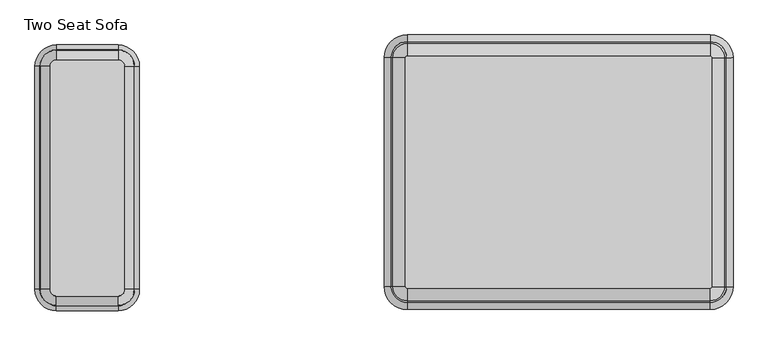
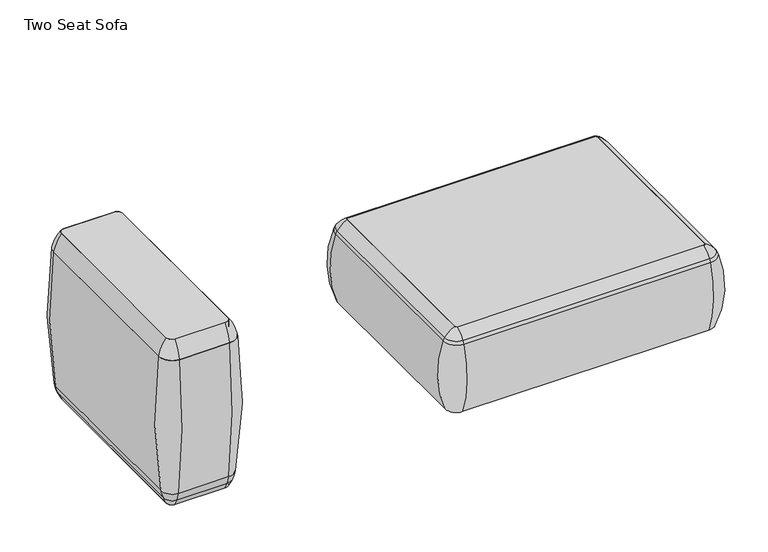
"""IFC4 building model written with IfcOpenShell, lengths in millimetres: furniture geometry, Two Seat Sofa."""

from ifc_helpers import new_model, si_unit, point, frame, frame_2d, origin, place, context, project, spatial, polyline, circle_curve, ellipse_curve, trimmed, segment, composite_curve, outline, extrude, source, transform, mapped, element, save
from ifc_brep_helpers import plane_surface, cylinder_surface, revolved_surface, advanced_brep


def two_seat_sofa_c8e1b5d7(model_context):
    return source(origin(), model_context, "Body", "SolidModel", [
        advanced_brep(
        [(-841.831867, -723.6878152, 172.8832103), (-805.8090558, -687.665004, 172.8832103), (-799.8057646, -687.665004, 622.5428731), (-841.831867, -729.6911064, 622.5428731), (-841.831867, -715.7737554, 145.7420675), (-813.7231156, -687.665004, 145.7420675), (-841.831867, -705.1100792, 123.9999984), (-824.3867918, -687.665004, 123.9999984), (-841.831867, -705.1100792, 676.7599216), (-824.3867918, -687.665004, 676.7599216), (-1000.554649, -729.6911064, 622.5428731), (-1000.554649, -723.6878152, 172.8832103), (-1000.554649, -715.7737554, 145.7420675), (-1000.554649, -705.1100792, 123.9999984), (-1000.554649, -705.1100792, 676.7599216), (-1036.5774602, -687.665004, 172.8832103), (-1042.5807514, -687.665004, 622.5428731), (-1028.6634004, -687.665004, 145.7420675), (-1017.9997243, -687.665004, 123.9999984), (-1017.9997243, -687.665004, 676.7599216), (-1042.5807514, -113.9650752, 622.5428731), (-1036.5774602, -113.9650752, 172.8832103), (-1028.6634004, -113.9650752, 145.7420675), (-1017.9997243, -113.9650752, 123.9999984), (-1017.9997243, -113.9650752, 676.7599216), (-1000.554649, -77.9422641, 172.8832103), (-1000.554649, -71.9389729, 622.5428731), (-1000.554649, -85.8563238, 145.7420675), (-1000.554649, -96.52, 123.9999984), (-1000.554649, -96.52, 676.7599216), (-841.831867, -71.9389729, 622.5428731), (-841.831867, -77.9422641, 172.8832103), (-841.831867, -85.8563238, 145.7420675), (-841.831867, -96.52, 123.9999984), (-841.831867, -96.52, 676.7599216), (-805.8090558, -113.9650752, 172.8832103), (-799.8057646, -113.9650752, 622.5428731), (-813.7231156, -113.9650752, 145.7420675), (-824.3867918, -113.9650752, 123.9999984), (-824.3867918, -113.9650752, 676.7599216), (-841.831867, -729.4564007, 624.0097122), (-800.0404704, -687.665004, 624.0097122), (-1000.554649, -729.4564007, 624.0097122), (-1042.3460457, -687.665004, 624.0097122), (-1042.3460457, -113.9650752, 624.0097122), (-1000.554649, -72.1736786, 624.0097122), (-841.831867, -72.1736786, 624.0097122), (-800.0404704, -113.9650752, 624.0097122)],
        [
            (0, 1, circle_curve(frame((-841.831867, -687.665004, 172.8832103), z_axis=(0.0, 0.0, 1.0), x_axis=(1.0, 0.0, 0.0)), 36.0228111)),
            (1, 2, circle_curve(frame((-2366.9005751, -687.665004, 418.5948497), z_axis=(0.0, -1.0, 0.0), x_axis=(1.0, 0.0, 0.0)), 1580.3103939)),
            (2, 3, circle_curve(frame((-841.831867, -687.665004, 622.5428731), z_axis=(0.0, 0.0, -1.0), x_axis=(1.0, 0.0, 0.0)), 42.0261023)),
            (3, 0, circle_curve(frame((-841.831867, 837.4037041, 418.5948497), z_axis=(1.0, 0.0, 0.0), x_axis=(0.0, -1.0, 0.0)), 1580.3103939)),
            (4, 5, circle_curve(frame((-841.831867, -687.665004, 145.7420675), z_axis=(0.0, 0.0, 1.0), x_axis=(1.0, 0.0, 0.0)), 28.1087514)),
            (5, 1, circle_curve(frame((-915.5356418, -687.665004, 190.1538821), z_axis=(0.0, -1.0, 0.0), x_axis=(1.0, 0.0, 0.0)), 111.0774494)),
            (0, 4, circle_curve(frame((-841.831867, -613.9612292, 190.1538821), z_axis=(1.0, 0.0, 0.0), x_axis=(0.0, -1.0, 0.0)), 111.0774494)),
            (6, 7, circle_curve(frame((-841.831867, -687.665004, 123.9999984), z_axis=(0.0, 0.0, 1.0), x_axis=(1.0, 0.0, 0.0)), 17.4450752)),
            (7, 5, circle_curve(frame((-1062.3097905, -687.665004, 254.1784823), z_axis=(0.0, -1.0, 0.0), x_axis=(1.0, 0.0, 0.0)), 271.2080216)),
            (4, 6, circle_curve(frame((-841.831867, -467.1870805, 254.1784823), z_axis=(1.0, 0.0, 0.0), x_axis=(0.0, -1.0, 0.0)), 271.2080216)),
            (8, 9, circle_curve(frame((-841.831867, -687.665004, 676.7599216), z_axis=(0.0, 0.0, 1.0), x_axis=(1.0, 0.0, 0.0)), 17.4450752)),
            (9, 7),
            (6, 8),
            (3, 10),
            (10, 11, circle_curve(frame((-1000.554649, 837.4037041, 418.5948497), z_axis=(1.0, 0.0, 0.0), x_axis=(0.0, -1.0, 0.0)), 1580.3103939)),
            (11, 0),
            (11, 12, circle_curve(frame((-1000.554649, -613.9612292, 190.1538821), z_axis=(1.0, 0.0, 0.0), x_axis=(0.0, -1.0, 0.0)), 111.0774494)),
            (12, 4),
            (12, 13, circle_curve(frame((-1000.554649, -467.1870805, 254.1784823), z_axis=(1.0, 0.0, 0.0), x_axis=(0.0, -1.0, 0.0)), 271.2080216)),
            (13, 6),
            (13, 14),
            (14, 8),
            (15, 11, circle_curve(frame((-1000.554649, -687.665004, 172.8832103), z_axis=(0.0, 0.0, 1.0), x_axis=(0.0, -1.0, 0.0)), 36.0228111)),
            (10, 16, circle_curve(frame((-1000.554649, -687.665004, 622.5428731), z_axis=(0.0, 0.0, -1.0), x_axis=(0.0, -1.0, 0.0)), 42.0261023)),
            (16, 15, circle_curve(frame((524.5140591, -687.665004, 418.5948497), z_axis=(0.0, -1.0, 0.0), x_axis=(-1.0, 0.0, 0.0)), 1580.3103939)),
            (17, 12, circle_curve(frame((-1000.554649, -687.665004, 145.7420675), z_axis=(0.0, 0.0, 1.0), x_axis=(0.0, -1.0, 0.0)), 28.1087514)),
            (15, 17, circle_curve(frame((-926.8508742, -687.665004, 190.1538821), z_axis=(0.0, -1.0, 0.0), x_axis=(-1.0, 0.0, 0.0)), 111.0774494)),
            (18, 13, circle_curve(frame((-1000.554649, -687.665004, 123.9999984), z_axis=(0.0, 0.0, 1.0), x_axis=(0.0, -1.0, 0.0)), 17.4450752)),
            (17, 18, circle_curve(frame((-780.0767255, -687.665004, 254.1784823), z_axis=(0.0, -1.0, 0.0), x_axis=(-1.0, 0.0, 0.0)), 271.2080216)),
            (19, 14, circle_curve(frame((-1000.554649, -687.665004, 676.7599216), z_axis=(0.0, 0.0, 1.0), x_axis=(0.0, -1.0, 0.0)), 17.4450752)),
            (18, 19),
            (16, 20),
            (20, 21, circle_curve(frame((524.5140591, -113.9650752, 418.5948497), z_axis=(0.0, -1.0, 0.0), x_axis=(-1.0, 0.0, 0.0)), 1580.3103939)),
            (21, 15),
            (21, 22, circle_curve(frame((-926.8508742, -113.9650752, 190.1538821), z_axis=(0.0, -1.0, 0.0), x_axis=(-1.0, 0.0, 0.0)), 111.0774494)),
            (22, 17),
            (22, 23, circle_curve(frame((-780.0767255, -113.9650752, 254.1784823), z_axis=(0.0, -1.0, 0.0), x_axis=(-1.0, 0.0, 0.0)), 271.2080216)),
            (23, 18),
            (23, 24),
            (24, 19),
            (25, 21, circle_curve(frame((-1000.554649, -113.9650752, 172.8832103), z_axis=(0.0, 0.0, 1.0), x_axis=(-1.0, 0.0, 0.0)), 36.0228111)),
            (20, 26, circle_curve(frame((-1000.554649, -113.9650752, 622.5428731), z_axis=(0.0, 0.0, -1.0), x_axis=(-1.0, 0.0, 0.0)), 42.0261023)),
            (26, 25, circle_curve(frame((-1000.554649, -1639.0337833, 418.5948497), z_axis=(-1.0, 0.0, 0.0), x_axis=(0.0, 1.0, 0.0)), 1580.3103939)),
            (27, 22, circle_curve(frame((-1000.554649, -113.9650752, 145.7420675), z_axis=(0.0, 0.0, 1.0), x_axis=(-1.0, 0.0, 0.0)), 28.1087514)),
            (25, 27, circle_curve(frame((-1000.554649, -187.66885, 190.1538821), z_axis=(-1.0, 0.0, 0.0), x_axis=(0.0, 1.0, 0.0)), 111.0774494)),
            (28, 23, circle_curve(frame((-1000.554649, -113.9650752, 123.9999984), z_axis=(0.0, 0.0, 1.0), x_axis=(-1.0, 0.0, 0.0)), 17.4450752)),
            (27, 28, circle_curve(frame((-1000.554649, -334.4429987, 254.1784823), z_axis=(-1.0, 0.0, 0.0), x_axis=(0.0, 1.0, 0.0)), 271.2080216)),
            (29, 24, circle_curve(frame((-1000.554649, -113.9650752, 676.7599216), z_axis=(0.0, 0.0, 1.0), x_axis=(-1.0, 0.0, 0.0)), 17.4450752)),
            (28, 29),
            (26, 30),
            (30, 31, circle_curve(frame((-841.831867, -1639.0337833, 418.5948497), z_axis=(-1.0, 0.0, 0.0), x_axis=(0.0, 1.0, 0.0)), 1580.3103939)),
            (31, 25),
            (31, 32, circle_curve(frame((-841.831867, -187.66885, 190.1538821), z_axis=(-1.0, 0.0, 0.0), x_axis=(0.0, 1.0, 0.0)), 111.0774494)),
            (32, 27),
            (32, 33, circle_curve(frame((-841.831867, -334.4429987, 254.1784823), z_axis=(-1.0, 0.0, 0.0), x_axis=(0.0, 1.0, 0.0)), 271.2080216)),
            (33, 28),
            (33, 34),
            (34, 29),
            (35, 31, circle_curve(frame((-841.831867, -113.9650752, 172.8832103), z_axis=(0.0, 0.0, 1.0), x_axis=(0.0, 1.0, 0.0)), 36.0228111)),
            (30, 36, circle_curve(frame((-841.831867, -113.9650752, 622.5428731), z_axis=(0.0, 0.0, -1.0), x_axis=(0.0, 1.0, 0.0)), 42.0261023)),
            (36, 35, circle_curve(frame((-2366.9005751, -113.9650752, 418.5948497), z_axis=(0.0, 1.0, 0.0), x_axis=(1.0, 0.0, 0.0)), 1580.3103939)),
            (37, 32, circle_curve(frame((-841.831867, -113.9650752, 145.7420675), z_axis=(0.0, 0.0, 1.0), x_axis=(0.0, 1.0, 0.0)), 28.1087514)),
            (35, 37, circle_curve(frame((-915.5356418, -113.9650752, 190.1538821), z_axis=(0.0, 1.0, 0.0), x_axis=(1.0, 0.0, 0.0)), 111.0774494)),
            (38, 33, circle_curve(frame((-841.831867, -113.9650752, 123.9999984), z_axis=(0.0, 0.0, 1.0), x_axis=(0.0, 1.0, 0.0)), 17.4450752)),
            (37, 38, circle_curve(frame((-1062.3097905, -113.9650752, 254.1784823), z_axis=(0.0, 1.0, 0.0), x_axis=(1.0, 0.0, 0.0)), 271.2080216)),
            (39, 34, circle_curve(frame((-841.831867, -113.9650752, 676.7599216), z_axis=(0.0, 0.0, 1.0), x_axis=(0.0, 1.0, 0.0)), 17.4450752)),
            (38, 39),
            (36, 2),
            (1, 35),
            (5, 37),
            (7, 38),
            (9, 39),
            (40, 41, circle_curve(frame((-841.831867, -687.665004, 624.0097122), z_axis=(0.0, 0.0, 1.0), x_axis=(1.0, 0.0, 0.0)), 41.7913966)),
            (41, 9, circle_curve(frame((-917.9291956, -687.665004, 601.5928757), z_axis=(0.0, -1.0, 0.0), x_axis=(1.0, 0.0, 0.0)), 120.0011087)),
            (8, 40, circle_curve(frame((-841.831867, -611.5676755, 601.5928757), z_axis=(1.0, 0.0, 0.0), x_axis=(0.0, -1.0, 0.0)), 120.0011087)),
            (2, 41, circle_curve(frame((-824.9933533, -687.665004, 619.264859), z_axis=(0.0, -1.0, 0.0), x_axis=(1.0, 0.0, 0.0)), 25.4)),
            (40, 3, circle_curve(frame((-841.831867, -704.5035177, 619.264859), z_axis=(1.0, 0.0, 0.0), x_axis=(0.0, -1.0, 0.0)), 25.4)),
            (14, 42, circle_curve(frame((-1000.554649, -611.5676755, 601.5928757), z_axis=(1.0, 0.0, 0.0), x_axis=(0.0, -1.0, 0.0)), 120.0011087)),
            (42, 40),
            (42, 10, circle_curve(frame((-1000.554649, -704.5035177, 619.264859), z_axis=(1.0, 0.0, 0.0), x_axis=(0.0, -1.0, 0.0)), 25.4)),
            (43, 42, circle_curve(frame((-1000.554649, -687.665004, 624.0097122), z_axis=(0.0, 0.0, 1.0), x_axis=(0.0, -1.0, 0.0)), 41.7913966)),
            (19, 43, circle_curve(frame((-924.4573205, -687.665004, 601.5928757), z_axis=(0.0, -1.0, 0.0), x_axis=(-1.0, 0.0, 0.0)), 120.0011087)),
            (43, 16, circle_curve(frame((-1017.3931627, -687.665004, 619.264859), z_axis=(0.0, -1.0, 0.0), x_axis=(-1.0, 0.0, 0.0)), 25.4)),
            (24, 44, circle_curve(frame((-924.4573205, -113.9650752, 601.5928757), z_axis=(0.0, -1.0, 0.0), x_axis=(-1.0, 0.0, 0.0)), 120.0011087)),
            (44, 43),
            (44, 20, circle_curve(frame((-1017.3931627, -113.9650752, 619.264859), z_axis=(0.0, -1.0, 0.0), x_axis=(-1.0, 0.0, 0.0)), 25.4)),
            (45, 44, circle_curve(frame((-1000.554649, -113.9650752, 624.0097122), z_axis=(0.0, 0.0, 1.0), x_axis=(-1.0, 0.0, 0.0)), 41.7913966)),
            (29, 45, circle_curve(frame((-1000.554649, -190.0624038, 601.5928757), z_axis=(-1.0, 0.0, 0.0), x_axis=(0.0, 1.0, 0.0)), 120.0011087)),
            (45, 26, circle_curve(frame((-1000.554649, -97.1265615, 619.264859), z_axis=(-1.0, 0.0, 0.0), x_axis=(0.0, 1.0, 0.0)), 25.4)),
            (34, 46, circle_curve(frame((-841.831867, -190.0624038, 601.5928757), z_axis=(-1.0, 0.0, 0.0), x_axis=(0.0, 1.0, 0.0)), 120.0011087)),
            (46, 45),
            (46, 30, circle_curve(frame((-841.831867, -97.1265615, 619.264859), z_axis=(-1.0, 0.0, 0.0), x_axis=(0.0, 1.0, 0.0)), 25.4)),
            (47, 46, circle_curve(frame((-841.831867, -113.9650752, 624.0097122), z_axis=(0.0, 0.0, 1.0), x_axis=(0.0, 1.0, 0.0)), 41.7913966)),
            (39, 47, circle_curve(frame((-917.9291956, -113.9650752, 601.5928757), z_axis=(0.0, 1.0, 0.0), x_axis=(1.0, 0.0, 0.0)), 120.0011087)),
            (47, 36, circle_curve(frame((-824.9933533, -113.9650752, 619.264859), z_axis=(0.0, 1.0, 0.0), x_axis=(1.0, 0.0, 0.0)), 25.4)),
            (41, 47),
        ],
        [
            revolved_surface(trimmed(ellipse_curve(frame((-2366.9005751, -687.665004, 418.5948497), z_axis=(0.0, 1.0, 0.0), x_axis=(1.0, 0.0, 0.0)), 1580.3103939, 1580.3103939), [point((-799.8057646, -687.665004, 622.5428731))], [point((-805.8090558, -687.665004, 172.8832103))], True, "CARTESIAN"), (-841.831867, -687.665004, -1.2587073), (0.0, 0.0, -1.0)),
            revolved_surface(trimmed(ellipse_curve(frame((-915.5356418, -687.665004, 190.1538821), z_axis=(0.0, 1.0, 0.0), x_axis=(1.0, 0.0, 0.0)), 111.0774494, 111.0774494), [point((-805.8090558, -687.665004, 172.8832103))], [point((-813.7231156, -687.665004, 145.7420675))], True, "CARTESIAN"), (-841.831867, -687.665004, -1.2587073), (0.0, 0.0, -1.0)),
            revolved_surface(trimmed(ellipse_curve(frame((-1062.3097905, -687.665004, 254.1784823), z_axis=(0.0, 1.0, 0.0), x_axis=(1.0, 0.0, 0.0)), 271.2080216, 271.2080216), [point((-813.7231156, -687.665004, 145.7420675))], [point((-824.3867918, -687.665004, 123.9999984))], True, "CARTESIAN"), (-841.831867, -687.665004, -1.2587073), (0.0, 0.0, -1.0)),
            revolved_surface(polyline([(-824.3867918, -687.665004, 123.9999984), (-824.3867918, -687.665004, 676.7599216)]), (-841.831867, -687.665004, -1.2587073), (0.0, 0.0, -1.0)),
            cylinder_surface(frame((-841.831867, 837.4037041, 418.5948497), z_axis=(1.0, 0.0, 0.0), x_axis=(0.0, -1.0, 0.0)), 1580.3103939),
            cylinder_surface(frame((-841.831867, -613.9612292, 190.1538821), z_axis=(1.0, 0.0, 0.0), x_axis=(0.0, -1.0, 0.0)), 111.0774494),
            cylinder_surface(frame((-841.831867, -467.1870805, 254.1784823), z_axis=(1.0, 0.0, 0.0), x_axis=(0.0, -1.0, 0.0)), 271.2080216),
            plane_surface(frame((-841.831867, -705.1100792, 123.9999984), z_axis=(0.0, 1.0, 0.0), x_axis=(-1.0, 0.0, 0.0))),
            revolved_surface(trimmed(ellipse_curve(frame((-1000.554649, 837.4037041, 418.5948497), z_axis=(1.0, 0.0, 0.0), x_axis=(0.0, -1.0, 0.0)), 1580.3103939, 1580.3103939), [point((-1000.554649, -729.6911064, 622.5428731))], [point((-1000.554649, -723.6878152, 172.8832103))], True, "CARTESIAN"), (-1000.554649, -687.665004, -1.2587073), (0.0, 0.0, -1.0)),
            revolved_surface(trimmed(ellipse_curve(frame((-1000.554649, -613.9612292, 190.1538821), z_axis=(1.0, 0.0, 0.0), x_axis=(0.0, -1.0, 0.0)), 111.0774494, 111.0774494), [point((-1000.554649, -723.6878152, 172.8832103))], [point((-1000.554649, -715.7737554, 145.7420675))], True, "CARTESIAN"), (-1000.554649, -687.665004, -1.2587073), (0.0, 0.0, -1.0)),
            revolved_surface(trimmed(ellipse_curve(frame((-1000.554649, -467.1870805, 254.1784823), z_axis=(1.0, 0.0, 0.0), x_axis=(0.0, -1.0, 0.0)), 271.2080216, 271.2080216), [point((-1000.554649, -715.7737554, 145.7420675))], [point((-1000.554649, -705.1100792, 123.9999984))], True, "CARTESIAN"), (-1000.554649, -687.665004, -1.2587073), (0.0, 0.0, -1.0)),
            revolved_surface(polyline([(-1000.554649, -705.1100792, 123.9999984), (-1000.554649, -705.1100792, 676.7599216)]), (-1000.554649, -687.665004, -1.2587073), (0.0, 0.0, -1.0)),
            cylinder_surface(frame((524.5140591, -687.665004, 418.5948497), z_axis=(0.0, -1.0, 0.0), x_axis=(-1.0, 0.0, 0.0)), 1580.3103939),
            cylinder_surface(frame((-926.8508742, -687.665004, 190.1538821), z_axis=(0.0, -1.0, 0.0), x_axis=(-1.0, 0.0, 0.0)), 111.0774494),
            cylinder_surface(frame((-780.0767255, -687.665004, 254.1784823), z_axis=(0.0, -1.0, 0.0), x_axis=(-1.0, 0.0, 0.0)), 271.2080216),
            plane_surface(frame((-1017.9997243, -687.665004, 123.9999984), z_axis=(1.0, 0.0, 0.0), x_axis=(0.0, 1.0, 0.0))),
            revolved_surface(trimmed(ellipse_curve(frame((524.5140591, -113.9650752, 418.5948497), z_axis=(0.0, -1.0, 0.0), x_axis=(-1.0, 0.0, 0.0)), 1580.3103939, 1580.3103939), [point((-1042.5807514, -113.9650752, 622.5428731))], [point((-1036.5774602, -113.9650752, 172.8832103))], True, "CARTESIAN"), (-1000.554649, -113.9650752, -1.2587073), (0.0, 0.0, -1.0)),
            revolved_surface(trimmed(ellipse_curve(frame((-926.8508742, -113.9650752, 190.1538821), z_axis=(0.0, -1.0, 0.0), x_axis=(-1.0, 0.0, 0.0)), 111.0774494, 111.0774494), [point((-1036.5774602, -113.9650752, 172.8832103))], [point((-1028.6634004, -113.9650752, 145.7420675))], True, "CARTESIAN"), (-1000.554649, -113.9650752, -1.2587073), (0.0, 0.0, -1.0)),
            revolved_surface(trimmed(ellipse_curve(frame((-780.0767255, -113.9650752, 254.1784823), z_axis=(0.0, -1.0, 0.0), x_axis=(-1.0, 0.0, 0.0)), 271.2080216, 271.2080216), [point((-1028.6634004, -113.9650752, 145.7420675))], [point((-1017.9997243, -113.9650752, 123.9999984))], True, "CARTESIAN"), (-1000.554649, -113.9650752, -1.2587073), (0.0, 0.0, -1.0)),
            revolved_surface(polyline([(-1017.9997242000001, -113.9650752, 123.9999984), (-1017.9997242000001, -113.9650752, 676.7599216)]), (-1000.554649, -113.9650752, -1.2587073), (0.0, 0.0, -1.0)),
            cylinder_surface(frame((-1000.554649, -1639.0337833, 418.5948497), z_axis=(-1.0, 0.0, 0.0), x_axis=(0.0, 1.0, 0.0)), 1580.3103939),
            cylinder_surface(frame((-1000.554649, -187.66885, 190.1538821), z_axis=(-1.0, 0.0, 0.0), x_axis=(0.0, 1.0, 0.0)), 111.0774494),
            cylinder_surface(frame((-1000.554649, -334.4429987, 254.1784823), z_axis=(-1.0, 0.0, 0.0), x_axis=(0.0, 1.0, 0.0)), 271.2080216),
            plane_surface(frame((-1000.554649, -96.52, 123.9999984), z_axis=(0.0, -1.0, 0.0), x_axis=(1.0, 0.0, 0.0))),
            revolved_surface(trimmed(ellipse_curve(frame((-841.831867, -1639.0337833, 418.5948497), z_axis=(-1.0, 0.0, 0.0), x_axis=(0.0, 1.0, 0.0)), 1580.3103939, 1580.3103939), [point((-841.831867, -71.9389729, 622.5428731))], [point((-841.831867, -77.9422641, 172.8832103))], True, "CARTESIAN"), (-841.831867, -113.9650752, -1.2587073), (0.0, 0.0, -1.0)),
            revolved_surface(trimmed(ellipse_curve(frame((-841.831867, -187.66885, 190.1538821), z_axis=(-1.0, 0.0, 0.0), x_axis=(0.0, 1.0, 0.0)), 111.0774494, 111.0774494), [point((-841.831867, -77.9422641, 172.8832103))], [point((-841.831867, -85.8563238, 145.7420675))], True, "CARTESIAN"), (-841.831867, -113.9650752, -1.2587073), (0.0, 0.0, -1.0)),
            revolved_surface(trimmed(ellipse_curve(frame((-841.831867, -334.4429987, 254.1784823), z_axis=(-1.0, 0.0, 0.0), x_axis=(0.0, 1.0, 0.0)), 271.2080216, 271.2080216), [point((-841.831867, -85.8563238, 145.7420675))], [point((-841.831867, -96.52, 123.9999984))], True, "CARTESIAN"), (-841.831867, -113.9650752, -1.2587073), (0.0, 0.0, -1.0)),
            revolved_surface(polyline([(-841.831867, -96.52, 123.9999984), (-841.831867, -96.52, 676.7599216)]), (-841.831867, -113.9650752, -1.2587073), (0.0, 0.0, -1.0)),
            cylinder_surface(frame((-2366.9005751, -113.9650752, 418.5948497), z_axis=(0.0, 1.0, 0.0), x_axis=(1.0, 0.0, 0.0)), 1580.3103939),
            cylinder_surface(frame((-915.5356418, -113.9650752, 190.1538821), z_axis=(0.0, 1.0, 0.0), x_axis=(1.0, 0.0, 0.0)), 111.0774494),
            cylinder_surface(frame((-1062.3097905, -113.9650752, 254.1784823), z_axis=(0.0, 1.0, 0.0), x_axis=(1.0, 0.0, 0.0)), 271.2080216),
            plane_surface(frame((-824.3867918, -113.9650752, 123.9999984), z_axis=(-1.0, 0.0, 0.0), x_axis=(0.0, -1.0, 0.0))),
            revolved_surface(trimmed(ellipse_curve(frame((-917.9291956, -687.665004, 601.5928757), z_axis=(0.0, 1.0, 0.0), x_axis=(1.0, 0.0, 0.0)), 120.0011087, 120.0011087), [point((-824.3867918, -687.665004, 676.7599216))], [point((-800.0404704, -687.665004, 624.0097122))], True, "CARTESIAN"), (-841.831867, -687.665004, -1.2587073), (0.0, 0.0, -1.0)),
            revolved_surface(trimmed(ellipse_curve(frame((-824.9933533, -687.665004, 619.264859), z_axis=(0.0, 1.0, 0.0), x_axis=(1.0, 0.0, 0.0)), 25.4, 25.4), [point((-800.0404704, -687.665004, 624.0097122))], [point((-799.8057646, -687.665004, 622.5428731))], True, "CARTESIAN"), (-841.831867, -687.665004, -1.2587073), (0.0, 0.0, -1.0)),
            cylinder_surface(frame((-841.831867, -611.5676755, 601.5928757), z_axis=(1.0, 0.0, 0.0), x_axis=(0.0, -1.0, 0.0)), 120.0011087),
            cylinder_surface(frame((-841.831867, -704.5035177, 619.264859), z_axis=(1.0, 0.0, 0.0), x_axis=(0.0, -1.0, 0.0)), 25.4),
            revolved_surface(trimmed(ellipse_curve(frame((-1000.554649, -611.5676755, 601.5928757), z_axis=(1.0, 0.0, 0.0), x_axis=(0.0, -1.0, 0.0)), 120.0011087, 120.0011087), [point((-1000.554649, -705.1100792, 676.7599216))], [point((-1000.554649, -729.4564007, 624.0097122))], True, "CARTESIAN"), (-1000.554649, -687.665004, -1.2587073), (0.0, 0.0, -1.0)),
            revolved_surface(trimmed(ellipse_curve(frame((-1000.554649, -704.5035177, 619.264859), z_axis=(1.0, 0.0, 0.0), x_axis=(0.0, -1.0, 0.0)), 25.4, 25.4), [point((-1000.554649, -729.4564007, 624.0097122))], [point((-1000.554649, -729.6911064, 622.5428731))], True, "CARTESIAN"), (-1000.554649, -687.665004, -1.2587073), (0.0, 0.0, -1.0)),
            cylinder_surface(frame((-924.4573205, -687.665004, 601.5928757), z_axis=(0.0, -1.0, 0.0), x_axis=(-1.0, 0.0, 0.0)), 120.0011087),
            cylinder_surface(frame((-1017.3931627, -687.665004, 619.264859), z_axis=(0.0, -1.0, 0.0), x_axis=(-1.0, 0.0, 0.0)), 25.4),
            revolved_surface(trimmed(ellipse_curve(frame((-924.4573205, -113.9650752, 601.5928757), z_axis=(0.0, -1.0, 0.0), x_axis=(-1.0, 0.0, 0.0)), 120.0011087, 120.0011087), [point((-1017.9997243, -113.9650752, 676.7599216))], [point((-1042.3460457, -113.9650752, 624.0097122))], True, "CARTESIAN"), (-1000.554649, -113.9650752, -1.2587073), (0.0, 0.0, -1.0)),
            revolved_surface(trimmed(ellipse_curve(frame((-1017.3931627, -113.9650752, 619.264859), z_axis=(0.0, -1.0, 0.0), x_axis=(-1.0, 0.0, 0.0)), 25.4, 25.4), [point((-1042.3460457, -113.9650752, 624.0097122))], [point((-1042.5807514, -113.9650752, 622.5428731))], True, "CARTESIAN"), (-1000.554649, -113.9650752, -1.2587073), (0.0, 0.0, -1.0)),
            cylinder_surface(frame((-1000.554649, -190.0624038, 601.5928757), z_axis=(-1.0, 0.0, 0.0), x_axis=(0.0, 1.0, 0.0)), 120.0011087),
            cylinder_surface(frame((-1000.554649, -97.1265615, 619.264859), z_axis=(-1.0, 0.0, 0.0), x_axis=(0.0, 1.0, 0.0)), 25.4),
            revolved_surface(trimmed(ellipse_curve(frame((-841.831867, -190.0624038, 601.5928757), z_axis=(-1.0, 0.0, 0.0), x_axis=(0.0, 1.0, 0.0)), 120.0011087, 120.0011087), [point((-841.831867, -96.52, 676.7599216))], [point((-841.831867, -72.1736786, 624.0097122))], True, "CARTESIAN"), (-841.831867, -113.9650752, -1.2587073), (0.0, 0.0, -1.0)),
            revolved_surface(trimmed(ellipse_curve(frame((-841.831867, -97.1265615, 619.264859), z_axis=(-1.0, 0.0, 0.0), x_axis=(0.0, 1.0, 0.0)), 25.4, 25.4), [point((-841.831867, -72.1736786, 624.0097122))], [point((-841.831867, -71.9389729, 622.5428731))], True, "CARTESIAN"), (-841.831867, -113.9650752, -1.2587073), (0.0, 0.0, -1.0)),
            cylinder_surface(frame((-917.9291956, -113.9650752, 601.5928757), z_axis=(0.0, 1.0, 0.0), x_axis=(1.0, 0.0, 0.0)), 120.0011087),
            cylinder_surface(frame((-824.9933533, -113.9650752, 619.264859), z_axis=(0.0, 1.0, 0.0), x_axis=(1.0, 0.0, 0.0)), 25.4),
        ],
        [
            (0, [[1, 2, 3, 4]]),
            (1, [[5, 6, -1, 7]]),
            (2, [[8, 9, -5, 10]]),
            (3, [[11, 12, -8, 13]]),
            (4, [[-4, 14, 15, 16]]),
            (5, [[-7, -16, 17, 18]]),
            (6, [[-10, -18, 19, 20]]),
            (7, [[-13, -20, 21, 22]]),
            (8, [[23, -15, 24, 25]]),
            (9, [[26, -17, -23, 27]]),
            (10, [[28, -19, -26, 29]]),
            (11, [[30, -21, -28, 31]]),
            (12, [[-25, 32, 33, 34]]),
            (13, [[-27, -34, 35, 36]]),
            (14, [[-29, -36, 37, 38]]),
            (15, [[-31, -38, 39, 40]]),
            (16, [[41, -33, 42, 43]]),
            (17, [[44, -35, -41, 45]]),
            (18, [[46, -37, -44, 47]]),
            (19, [[48, -39, -46, 49]]),
            (20, [[-43, 50, 51, 52]]),
            (21, [[-45, -52, 53, 54]]),
            (22, [[-47, -54, 55, 56]]),
            (23, [[-49, -56, 57, 58]]),
            (24, [[59, -51, 60, 61]]),
            (25, [[62, -53, -59, 63]]),
            (26, [[64, -55, -62, 65]]),
            (27, [[66, -57, -64, 67]]),
            (28, [[-61, 68, -2, 69]]),
            (29, [[-63, -69, -6, 70]]),
            (30, [[-65, -70, -9, 71]]),
            (31, [[-67, -71, -12, 72]]),
            (32, [[73, 74, -11, 75]]),
            (33, [[-3, 76, -73, 77]]),
            (34, [[-75, -22, 78, 79]]),
            (35, [[-77, -79, 80, -14]]),
            (36, [[81, -78, -30, 82]]),
            (37, [[-24, -80, -81, 83]]),
            (38, [[-82, -40, 84, 85]]),
            (39, [[-83, -85, 86, -32]]),
            (40, [[87, -84, -48, 88]]),
            (41, [[-42, -86, -87, 89]]),
            (42, [[-88, -58, 90, 91]]),
            (43, [[-89, -91, 92, -50]]),
            (44, [[93, -90, -66, 94]]),
            (45, [[-60, -92, -93, 95]]),
            (46, [[-94, -72, -74, 96]]),
            (47, [[-95, -96, -76, -68]]),
        ],
    ),
        extrude(outline(composite_curve([segment(trimmed(circle_curve(frame_2d((-841.831867, -687.7917021)), 17.4450752), [point((-824.3867918, -687.7917021))], [point((-841.831867, -705.2367773))], False, "CARTESIAN"), True, "CONTINUOUS"), segment(polyline([(-841.831867, -705.2367773), (-1000.554649, -705.2367773)]), True, "CONTINUOUS"), segment(trimmed(circle_curve(frame_2d((-1000.554649, -687.7917021)), 17.4450752), [point((-1000.554649, -705.2367773))], [point((-1017.9997243, -687.7917021))], False, "CARTESIAN"), True, "CONTINUOUS"), segment(polyline([(-1017.9997243, -687.7917021), (-1017.9997243, -113.9650752)]), True, "CONTINUOUS"), segment(trimmed(circle_curve(frame_2d((-1000.554649, -113.9650752)), 17.4450752), [point((-1017.9997243, -113.9650752))], [point((-1000.554649, -96.52))], False, "CARTESIAN"), True, "CONTINUOUS"), segment(polyline([(-1000.554649, -96.52), (-841.831867, -96.52)]), True, "CONTINUOUS"), segment(trimmed(circle_curve(frame_2d((-841.831867, -113.9650752)), 17.4450752), [point((-841.831867, -96.52))], [point((-824.3867918, -113.9650752))], False, "CARTESIAN"), True, "CONTINUOUS"), segment(polyline([(-824.3867918, -113.9650752), (-824.3867918, -687.7917021)]), True, "CONTINUOUS")], self_intersect=False)), frame((0.0, 0.0, 123.9999984), z_axis=(0.0, 0.0, 1.0), x_axis=(1.0, 0.0, 0.0)), (0.0, 0.0, 1.0), 552.7599232),
        advanced_brep(
        [(-103.5651735, -680.3856623, 390.3914007), (-98.2853663, -685.6654695, 390.3914007), (-98.2853663, -685.6654695, 123.9999984), (-103.5651735, -680.3856623, 123.9999984), (-132.2532177, -680.3856623, 123.9999984), (-98.2853663, -714.3535137, 123.9999984), (-98.2853663, -722.0329787, 353.7769053), (-139.9326827, -680.3856623, 353.7769053), (-103.5651735, -92.2092577, 123.9999984), (-103.5651735, -92.2092577, 390.3914007), (-139.9326827, -92.2092577, 353.7769053), (-132.2532177, -92.2092577, 123.9999984), (-98.2853663, -86.9294504, 390.3914007), (-98.2853663, -86.9294504, 123.9999984), (-98.2853663, -58.2414063, 123.9999984), (-98.2853663, -50.5619412, 353.7769053), (681.4946337, -86.9294504, 123.9999984), (681.4946337, -86.9294504, 390.3914007), (681.4946337, -50.5619412, 353.7769053), (681.4946337, -58.2414063, 123.9999984), (686.774441, -92.2092577, 390.3914007), (686.774441, -92.2092577, 123.9999984), (715.4624852, -92.2092577, 123.9999984), (723.1419502, -92.2092577, 353.7769053), (686.774441, -680.3856623, 123.9999984), (686.774441, -680.3856623, 390.3914007), (723.1419502, -680.3856623, 353.7769053), (715.4624852, -680.3856623, 123.9999984), (681.4946337, -685.6654695, 390.3914007), (681.4946337, -685.6654695, 123.9999984), (681.4946337, -714.3535137, 123.9999984), (681.4946337, -722.0329787, 353.7769053), (-134.7142228, -680.3856623, 363.6402875), (-98.2853663, -716.8145188, 363.6402875), (-134.7142228, -92.2092577, 363.6402875), (-98.2853663, -55.7804011, 363.6402875), (681.4946337, -55.7804011, 363.6402875), (717.9234903, -92.2092577, 363.6402875), (717.9234903, -680.3856623, 363.6402875), (681.4946337, -716.8145188, 363.6402875)],
        [
            (0, 1, circle_curve(frame((-98.2853663, -680.3856623, 390.3914007), z_axis=(0.0, 0.0, 1.0), x_axis=(0.0, -1.0, 0.0)), 5.2798073)),
            (1, 2),
            (2, 3, circle_curve(frame((-98.2853663, -680.3856623, 123.9999984), z_axis=(0.0, 0.0, -1.0), x_axis=(0.0, -1.0, 0.0)), 5.2798073)),
            (3, 0),
            (4, 5, circle_curve(frame((-98.2853663, -680.3856623, 123.9999984), z_axis=(0.0, 0.0, 1.0), x_axis=(0.0, -1.0, 0.0)), 33.9678514)),
            (5, 6, circle_curve(frame((-98.2853663, -417.9792297, 248.9220234), z_axis=(-1.0, 0.0, 0.0), x_axis=(0.0, -1.0, 0.0)), 321.625914)),
            (6, 7, circle_curve(frame((-98.2853663, -680.3856623, 353.7769053), z_axis=(0.0, 0.0, -1.0), x_axis=(0.0, -1.0, 0.0)), 41.6473165)),
            (7, 4, circle_curve(frame((164.1210663, -680.3856623, 248.9220234), z_axis=(0.0, -1.0, 0.0), x_axis=(-1.0, 0.0, 0.0)), 321.625914)),
            (3, 8),
            (8, 9),
            (9, 0),
            (7, 10),
            (10, 11, circle_curve(frame((164.1210663, -92.2092577, 248.9220234), z_axis=(0.0, -1.0, 0.0), x_axis=(-1.0, 0.0, 0.0)), 321.625914)),
            (11, 4),
            (12, 9, circle_curve(frame((-98.2853663, -92.2092577, 390.3914007), z_axis=(0.0, 0.0, 1.0), x_axis=(-1.0, 0.0, 0.0)), 5.2798073)),
            (8, 13, circle_curve(frame((-98.2853663, -92.2092577, 123.9999984), z_axis=(0.0, 0.0, -1.0), x_axis=(-1.0, 0.0, 0.0)), 5.2798073)),
            (13, 12),
            (14, 11, circle_curve(frame((-98.2853663, -92.2092577, 123.9999984), z_axis=(0.0, 0.0, 1.0), x_axis=(-1.0, 0.0, 0.0)), 33.9678514)),
            (10, 15, circle_curve(frame((-98.2853663, -92.2092577, 353.7769053), z_axis=(0.0, 0.0, -1.0), x_axis=(-1.0, 0.0, 0.0)), 41.6473165)),
            (15, 14, circle_curve(frame((-98.2853663, -354.6156902, 248.9220234), z_axis=(-1.0, 0.0, 0.0), x_axis=(0.0, 1.0, 0.0)), 321.625914)),
            (13, 16),
            (16, 17),
            (17, 12),
            (15, 18),
            (18, 19, circle_curve(frame((681.4946337, -354.6156902, 248.9220234), z_axis=(-1.0, 0.0, 0.0), x_axis=(0.0, 1.0, 0.0)), 321.625914)),
            (19, 14),
            (20, 17, circle_curve(frame((681.4946337, -92.2092577, 390.3914007), z_axis=(0.0, 0.0, 1.0), x_axis=(0.0, 1.0, 0.0)), 5.2798073)),
            (16, 21, circle_curve(frame((681.4946337, -92.2092577, 123.9999984), z_axis=(0.0, 0.0, -1.0), x_axis=(0.0, 1.0, 0.0)), 5.2798073)),
            (21, 20),
            (22, 19, circle_curve(frame((681.4946337, -92.2092577, 123.9999984), z_axis=(0.0, 0.0, 1.0), x_axis=(0.0, 1.0, 0.0)), 33.9678514)),
            (18, 23, circle_curve(frame((681.4946337, -92.2092577, 353.7769053), z_axis=(0.0, 0.0, -1.0), x_axis=(0.0, 1.0, 0.0)), 41.6473165)),
            (23, 22, circle_curve(frame((419.0882012, -92.2092577, 248.9220234), z_axis=(0.0, 1.0, 0.0), x_axis=(1.0, 0.0, 0.0)), 321.625914)),
            (21, 24),
            (24, 25),
            (25, 20),
            (23, 26),
            (26, 27, circle_curve(frame((419.0882012, -680.3856623, 248.9220234), z_axis=(0.0, 1.0, 0.0), x_axis=(1.0, 0.0, 0.0)), 321.625914)),
            (27, 22),
            (28, 25, circle_curve(frame((681.4946337, -680.3856623, 390.3914007), z_axis=(0.0, 0.0, 1.0), x_axis=(1.0, 0.0, 0.0)), 5.2798073)),
            (24, 29, circle_curve(frame((681.4946337, -680.3856623, 123.9999984), z_axis=(0.0, 0.0, -1.0), x_axis=(1.0, 0.0, 0.0)), 5.2798073)),
            (29, 28),
            (30, 27, circle_curve(frame((681.4946337, -680.3856623, 123.9999984), z_axis=(0.0, 0.0, 1.0), x_axis=(1.0, 0.0, 0.0)), 33.9678514)),
            (26, 31, circle_curve(frame((681.4946337, -680.3856623, 353.7769053), z_axis=(0.0, 0.0, -1.0), x_axis=(1.0, 0.0, 0.0)), 41.6473165)),
            (31, 30, circle_curve(frame((681.4946337, -417.9792297, 248.9220234), z_axis=(1.0, 0.0, 0.0), x_axis=(0.0, -1.0, 0.0)), 321.625914)),
            (30, 5),
            (2, 29),
            (1, 28),
            (31, 6),
            (32, 33, circle_curve(frame((-98.2853663, -680.3856623, 363.6402875), z_axis=(0.0, 0.0, 1.0), x_axis=(0.0, -1.0, 0.0)), 36.4288566)),
            (33, 1, circle_curve(frame((-98.2853663, -641.43285, 307.3762868), z_axis=(-1.0, 0.0, 0.0), x_axis=(0.0, -1.0, 0.0)), 94.0639876)),
            (0, 32, circle_curve(frame((-59.332554, -680.3856623, 307.3762868), z_axis=(0.0, -1.0, 0.0), x_axis=(-1.0, 0.0, 0.0)), 94.0639876)),
            (6, 33, circle_curve(frame((-98.2853663, -687.7682596, 341.9604975), z_axis=(-1.0, 0.0, 0.0), x_axis=(0.0, -1.0, 0.0)), 36.2449785)),
            (32, 7, circle_curve(frame((-105.6679637, -680.3856623, 341.9604975), z_axis=(0.0, -1.0, 0.0), x_axis=(-1.0, 0.0, 0.0)), 36.2449785)),
            (9, 34, circle_curve(frame((-59.332554, -92.2092577, 307.3762868), z_axis=(0.0, -1.0, 0.0), x_axis=(-1.0, 0.0, 0.0)), 94.0639876)),
            (34, 32),
            (34, 10, circle_curve(frame((-105.6679637, -92.2092577, 341.9604975), z_axis=(0.0, -1.0, 0.0), x_axis=(-1.0, 0.0, 0.0)), 36.2449785)),
            (35, 34, circle_curve(frame((-98.2853663, -92.2092577, 363.6402875), z_axis=(0.0, 0.0, 1.0), x_axis=(-1.0, 0.0, 0.0)), 36.4288566)),
            (12, 35, circle_curve(frame((-98.2853663, -131.1620699, 307.3762868), z_axis=(-1.0, 0.0, 0.0), x_axis=(0.0, 1.0, 0.0)), 94.0639876)),
            (35, 15, circle_curve(frame((-98.2853663, -84.8266603, 341.9604975), z_axis=(-1.0, 0.0, 0.0), x_axis=(0.0, 1.0, 0.0)), 36.2449785)),
            (17, 36, circle_curve(frame((681.4946337, -131.1620699, 307.3762868), z_axis=(-1.0, 0.0, 0.0), x_axis=(0.0, 1.0, 0.0)), 94.0639876)),
            (36, 35),
            (36, 18, circle_curve(frame((681.4946337, -84.8266603, 341.9604975), z_axis=(-1.0, 0.0, 0.0), x_axis=(0.0, 1.0, 0.0)), 36.2449785)),
            (37, 36, circle_curve(frame((681.4946337, -92.2092577, 363.6402875), z_axis=(0.0, 0.0, 1.0), x_axis=(0.0, 1.0, 0.0)), 36.4288566)),
            (20, 37, circle_curve(frame((642.5418215, -92.2092577, 307.3762868), z_axis=(0.0, 1.0, 0.0), x_axis=(1.0, 0.0, 0.0)), 94.0639876)),
            (37, 23, circle_curve(frame((688.8772311, -92.2092577, 341.9604975), z_axis=(0.0, 1.0, 0.0), x_axis=(1.0, 0.0, 0.0)), 36.2449785)),
            (25, 38, circle_curve(frame((642.5418215, -680.3856623, 307.3762868), z_axis=(0.0, 1.0, 0.0), x_axis=(1.0, 0.0, 0.0)), 94.0639876)),
            (38, 37),
            (38, 26, circle_curve(frame((688.8772311, -680.3856623, 341.9604975), z_axis=(0.0, 1.0, 0.0), x_axis=(1.0, 0.0, 0.0)), 36.2449785)),
            (39, 38, circle_curve(frame((681.4946337, -680.3856623, 363.6402875), z_axis=(0.0, 0.0, 1.0), x_axis=(1.0, 0.0, 0.0)), 36.4288566)),
            (28, 39, circle_curve(frame((681.4946337, -641.43285, 307.3762868), z_axis=(1.0, 0.0, 0.0), x_axis=(0.0, -1.0, 0.0)), 94.0639876)),
            (39, 31, circle_curve(frame((681.4946337, -687.7682596, 341.9604975), z_axis=(1.0, 0.0, 0.0), x_axis=(0.0, -1.0, 0.0)), 36.2449785)),
            (33, 39),
        ],
        [
            revolved_surface(polyline([(-98.2853663, -685.6654696, 123.9999984), (-98.2853663, -685.6654696, 390.3914007)]), (-98.2853663, -680.3856623, 0.0), (0.0, 0.0, -1.0)),
            revolved_surface(trimmed(ellipse_curve(frame((-98.2853663, -417.9792297, 248.9220234), z_axis=(1.0, 0.0, 0.0), x_axis=(0.0, -1.0, 0.0)), 321.625914, 321.625914), [point((-98.2853663, -722.0329787, 353.7769053))], [point((-98.2853663, -714.3535137, 123.9999984))], True, "CARTESIAN"), (-98.2853663, -680.3856623, 0.0), (0.0, 0.0, -1.0)),
            plane_surface(frame((-103.5651735, -680.3856623, 123.9999984), z_axis=(1.0, 0.0, 0.0), x_axis=(0.0, 1.0, 0.0))),
            cylinder_surface(frame((164.1210663, -680.3856623, 248.9220234), z_axis=(0.0, -1.0, 0.0), x_axis=(-1.0, 0.0, 0.0)), 321.625914),
            revolved_surface(polyline([(-103.56517360000001, -92.2092577, 123.9999984), (-103.56517360000001, -92.2092577, 390.3914007)]), (-98.2853663, -92.2092577, 0.0), (0.0, 0.0, -1.0)),
            revolved_surface(trimmed(ellipse_curve(frame((164.1210663, -92.2092577, 248.9220234), z_axis=(0.0, -1.0, 0.0), x_axis=(-1.0, 0.0, 0.0)), 321.625914, 321.625914), [point((-139.9326827, -92.2092577, 353.7769053))], [point((-132.2532177, -92.2092577, 123.9999984))], True, "CARTESIAN"), (-98.2853663, -92.2092577, 0.0), (0.0, 0.0, -1.0)),
            plane_surface(frame((-98.2853663, -86.9294504, 123.9999984), z_axis=(0.0, -1.0, 0.0), x_axis=(1.0, 0.0, 0.0))),
            cylinder_surface(frame((-98.2853663, -354.6156902, 248.9220234), z_axis=(-1.0, 0.0, 0.0), x_axis=(0.0, 1.0, 0.0)), 321.625914),
            revolved_surface(polyline([(681.4946337, -86.9294504, 123.9999984), (681.4946337, -86.9294504, 390.3914007)]), (681.4946337, -92.2092577, 0.0), (0.0, 0.0, -1.0)),
            revolved_surface(trimmed(ellipse_curve(frame((681.4946337, -354.6156902, 248.9220234), z_axis=(-1.0, 0.0, 0.0), x_axis=(0.0, 1.0, 0.0)), 321.625914, 321.625914), [point((681.4946337, -50.5619412, 353.7769053))], [point((681.4946337, -58.2414063, 123.9999984))], True, "CARTESIAN"), (681.4946337, -92.2092577, 0.0), (0.0, 0.0, -1.0)),
            plane_surface(frame((686.774441, -92.2092577, 123.9999984), z_axis=(-1.0, 0.0, 0.0), x_axis=(0.0, -1.0, 0.0))),
            cylinder_surface(frame((419.0882012, -92.2092577, 248.9220234), z_axis=(0.0, 1.0, 0.0), x_axis=(1.0, 0.0, 0.0)), 321.625914),
            revolved_surface(polyline([(686.774441, -680.3856623, 123.9999984), (686.774441, -680.3856623, 390.3914007)]), (681.4946337, -680.3856623, 0.0), (0.0, 0.0, -1.0)),
            revolved_surface(trimmed(ellipse_curve(frame((419.0882012, -680.3856623, 248.9220234), z_axis=(0.0, 1.0, 0.0), x_axis=(1.0, 0.0, 0.0)), 321.625914, 321.625914), [point((723.1419502, -680.3856623, 353.7769053))], [point((715.4624852, -680.3856623, 123.9999984))], True, "CARTESIAN"), (681.4946337, -680.3856623, 0.0), (0.0, 0.0, -1.0)),
            plane_surface(frame((681.4946337, -714.3535137, 123.9999984), z_axis=(0.0, 0.0, -1.0), x_axis=(-1.0, 0.0, 0.0))),
            plane_surface(frame((681.4946337, -685.6654695, 123.9999984), z_axis=(0.0, 1.0, 0.0), x_axis=(-1.0, 0.0, 0.0))),
            cylinder_surface(frame((681.4946337, -417.9792297, 248.9220234), z_axis=(1.0, 0.0, 0.0), x_axis=(0.0, -1.0, 0.0)), 321.625914),
            revolved_surface(trimmed(ellipse_curve(frame((-98.2853663, -641.43285, 307.3762868), z_axis=(1.0, 0.0, 0.0), x_axis=(0.0, -1.0, 0.0)), 94.0639876, 94.0639876), [point((-98.2853663, -685.6654695, 390.3914007))], [point((-98.2853663, -716.8145188, 363.6402875))], True, "CARTESIAN"), (-98.2853663, -680.3856623, 0.0), (0.0, 0.0, -1.0)),
            revolved_surface(trimmed(ellipse_curve(frame((-98.2853663, -687.7682596, 341.9604975), z_axis=(1.0, 0.0, 0.0), x_axis=(0.0, -1.0, 0.0)), 36.2449785, 36.2449785), [point((-98.2853663, -716.8145188, 363.6402875))], [point((-98.2853663, -722.0329787, 353.7769053))], True, "CARTESIAN"), (-98.2853663, -680.3856623, 0.0), (0.0, 0.0, -1.0)),
            cylinder_surface(frame((-59.332554, -680.3856623, 307.3762868), z_axis=(0.0, -1.0, 0.0), x_axis=(-1.0, 0.0, 0.0)), 94.0639876),
            cylinder_surface(frame((-105.6679637, -680.3856623, 341.9604975), z_axis=(0.0, -1.0, 0.0), x_axis=(-1.0, 0.0, 0.0)), 36.2449785),
            revolved_surface(trimmed(ellipse_curve(frame((-59.332554, -92.2092577, 307.3762868), z_axis=(0.0, -1.0, 0.0), x_axis=(-1.0, 0.0, 0.0)), 94.0639876, 94.0639876), [point((-103.5651735, -92.2092577, 390.3914007))], [point((-134.7142228, -92.2092577, 363.6402875))], True, "CARTESIAN"), (-98.2853663, -92.2092577, 0.0), (0.0, 0.0, -1.0)),
            revolved_surface(trimmed(ellipse_curve(frame((-105.6679637, -92.2092577, 341.9604975), z_axis=(0.0, -1.0, 0.0), x_axis=(-1.0, 0.0, 0.0)), 36.2449785, 36.2449785), [point((-134.7142228, -92.2092577, 363.6402875))], [point((-139.9326827, -92.2092577, 353.7769053))], True, "CARTESIAN"), (-98.2853663, -92.2092577, 0.0), (0.0, 0.0, -1.0)),
            cylinder_surface(frame((-98.2853663, -131.1620699, 307.3762868), z_axis=(-1.0, 0.0, 0.0), x_axis=(0.0, 1.0, 0.0)), 94.0639876),
            cylinder_surface(frame((-98.2853663, -84.8266603, 341.9604975), z_axis=(-1.0, 0.0, 0.0), x_axis=(0.0, 1.0, 0.0)), 36.2449785),
            revolved_surface(trimmed(ellipse_curve(frame((681.4946337, -131.1620699, 307.3762868), z_axis=(-1.0, 0.0, 0.0), x_axis=(0.0, 1.0, 0.0)), 94.0639876, 94.0639876), [point((681.4946337, -86.9294504, 390.3914007))], [point((681.4946337, -55.7804011, 363.6402875))], True, "CARTESIAN"), (681.4946337, -92.2092577, 0.0), (0.0, 0.0, -1.0)),
            revolved_surface(trimmed(ellipse_curve(frame((681.4946337, -84.8266603, 341.9604975), z_axis=(-1.0, 0.0, 0.0), x_axis=(0.0, 1.0, 0.0)), 36.2449785, 36.2449785), [point((681.4946337, -55.7804011, 363.6402875))], [point((681.4946337, -50.5619412, 353.7769053))], True, "CARTESIAN"), (681.4946337, -92.2092577, 0.0), (0.0, 0.0, -1.0)),
            cylinder_surface(frame((642.5418215, -92.2092577, 307.3762868), z_axis=(0.0, 1.0, 0.0), x_axis=(1.0, 0.0, 0.0)), 94.0639876),
            cylinder_surface(frame((688.8772311, -92.2092577, 341.9604975), z_axis=(0.0, 1.0, 0.0), x_axis=(1.0, 0.0, 0.0)), 36.2449785),
            revolved_surface(trimmed(ellipse_curve(frame((642.5418215, -680.3856623, 307.3762868), z_axis=(0.0, 1.0, 0.0), x_axis=(1.0, 0.0, 0.0)), 94.0639876, 94.0639876), [point((686.774441, -680.3856623, 390.3914007))], [point((717.9234903, -680.3856623, 363.6402875))], True, "CARTESIAN"), (681.4946337, -680.3856623, 0.0), (0.0, 0.0, -1.0)),
            revolved_surface(trimmed(ellipse_curve(frame((688.8772311, -680.3856623, 341.9604975), z_axis=(0.0, 1.0, 0.0), x_axis=(1.0, 0.0, 0.0)), 36.2449785, 36.2449785), [point((717.9234903, -680.3856623, 363.6402875))], [point((723.1419502, -680.3856623, 353.7769053))], True, "CARTESIAN"), (681.4946337, -680.3856623, 0.0), (0.0, 0.0, -1.0)),
            cylinder_surface(frame((681.4946337, -641.43285, 307.3762868), z_axis=(1.0, 0.0, 0.0), x_axis=(0.0, -1.0, 0.0)), 94.0639876),
            cylinder_surface(frame((681.4946337, -687.7682596, 341.9604975), z_axis=(1.0, 0.0, 0.0), x_axis=(0.0, -1.0, 0.0)), 36.2449785),
        ],
        [
            (0, [[1, 2, 3, 4]]),
            (1, [[5, 6, 7, 8]]),
            (2, [[-4, 9, 10, 11]]),
            (3, [[-8, 12, 13, 14]]),
            (4, [[15, -10, 16, 17]]),
            (5, [[18, -13, 19, 20]]),
            (6, [[-17, 21, 22, 23]]),
            (7, [[-20, 24, 25, 26]]),
            (8, [[27, -22, 28, 29]]),
            (9, [[30, -25, 31, 32]]),
            (10, [[-29, 33, 34, 35]]),
            (11, [[-32, 36, 37, 38]]),
            (12, [[39, -34, 40, 41]]),
            (13, [[42, -37, 43, 44]]),
            (14, [[-38, -42, 45, -5, -14, -18, -26, -30], [46, -40, -33, -28, -21, -16, -9, -3]]),
            (15, [[-41, -46, -2, 47]]),
            (16, [[-44, 48, -6, -45]]),
            (17, [[49, 50, -1, 51]]),
            (18, [[-7, 52, -49, 53]]),
            (19, [[-51, -11, 54, 55]]),
            (20, [[-53, -55, 56, -12]]),
            (21, [[57, -54, -15, 58]]),
            (22, [[-19, -56, -57, 59]]),
            (23, [[-58, -23, 60, 61]]),
            (24, [[-59, -61, 62, -24]]),
            (25, [[63, -60, -27, 64]]),
            (26, [[-31, -62, -63, 65]]),
            (27, [[-64, -35, 66, 67]]),
            (28, [[-65, -67, 68, -36]]),
            (29, [[69, -66, -39, 70]]),
            (30, [[-43, -68, -69, 71]]),
            (31, [[-70, -47, -50, 72]]),
            (32, [[-71, -72, -52, -48]]),
        ],
    ),
        extrude(outline(composite_curve([segment(trimmed(circle_curve(frame_2d((681.4946337, -680.3856623)), 5.2798073), [point((686.774441, -680.3856623))], [point((681.4946337, -685.6654695))], False, "CARTESIAN"), True, "CONTINUOUS"), segment(polyline([(681.4946337, -685.6654695), (-98.2853663, -685.6654695)]), True, "CONTINUOUS"), segment(trimmed(circle_curve(frame_2d((-98.2853663, -680.3856623)), 5.2798073), [point((-98.2853663, -685.6654695))], [point((-103.5651735, -680.3856623))], False, "CARTESIAN"), True, "CONTINUOUS"), segment(polyline([(-103.5651735, -680.3856623), (-103.5651735, -92.2092577)]), True, "CONTINUOUS"), segment(trimmed(circle_curve(frame_2d((-98.2853663, -92.2092577)), 5.2798073), [point((-103.5651735, -92.2092577))], [point((-98.2853663, -86.9294504))], False, "CARTESIAN"), True, "CONTINUOUS"), segment(polyline([(-98.2853663, -86.9294504), (681.4946337, -86.9294504)]), True, "CONTINUOUS"), segment(trimmed(circle_curve(frame_2d((681.4946337, -92.2092577)), 5.2798073), [point((681.4946337, -86.9294504))], [point((686.774441, -92.2092577))], False, "CARTESIAN"), True, "CONTINUOUS"), segment(polyline([(686.774441, -92.2092577), (686.774441, -680.3856623)]), True, "CONTINUOUS")], self_intersect=False)), frame((0.0, 0.0, 123.9999984), z_axis=(0.0, 0.0, 1.0), x_axis=(1.0, 0.0, 0.0)), (0.0, 0.0, 1.0), 266.3914023),
    ])


if __name__ == "__main__":
    model = new_model("IFC4")
    model_context = context("Model", 3, world=origin())
    ifc_project = project(units=[si_unit("LENGTHUNIT", "METRE", prefix="MILLI")], contexts=[model_context])
    site = spatial("IfcSite", under=ifc_project)
    building = spatial("IfcBuilding", under=site)
    placement = place(None, origin())
    two_seat_sofa_shape = two_seat_sofa_c8e1b5d7(model_context)
    element("IfcFurniture", 1, ObjectType="Two Seat Sofa", at=placement, inside=building, context=model_context, shape_type="MappedRepresentation", body=[
        mapped(two_seat_sofa_shape, transform((0.0, 0.0, 0.0), x_axis=(1.0, 0.0, 0.0), y_axis=(0.0, 1.0, 0.0), z_axis=(0.0, 0.0, 1.0))),
    ])
    save(model, "model.ifc")
